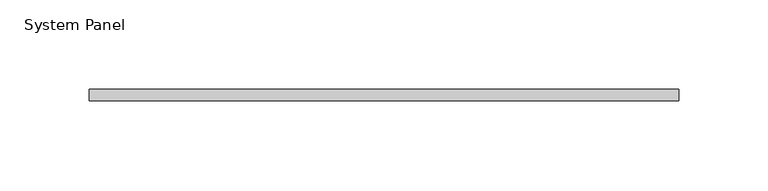
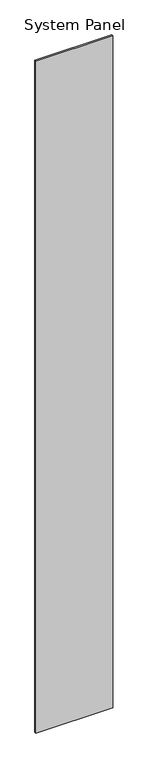
"""IFC4 building model written with IfcOpenShell, lengths in millimetres: plate geometry, System Panel."""

from ifc_helpers import new_model, si_unit, origin, origin_with_axes, place, context, project, spatial, polyline, outline, extrude, source, transform, mapped, element, save


def system_panel_fc44783d(model_context):
    return source(origin(), model_context, "Body", "SweptSolid", [
        extrude(outline(polyline([(165.0759116, 0.0), (-165.0759116, 0.0), (-165.0759116, 6.35), (165.0759116, 6.35), (165.0759116, 0.0)])), origin_with_axes(), (0.0, 0.0, 1.0), 3048.0),
    ])


if __name__ == "__main__":
    model = new_model("IFC4")
    model_context = context("Model", 3, world=origin())
    ifc_project = project(units=[si_unit("LENGTHUNIT", "METRE", prefix="MILLI")], contexts=[model_context])
    site = spatial("IfcSite", under=ifc_project)
    building = spatial("IfcBuilding", under=site)
    placement = place(None, origin())
    system_panel_shape = system_panel_fc44783d(model_context)
    element("IfcPlate", 1, ObjectType="System Panel", at=placement, inside=building, context=model_context, shape_type="MappedRepresentation", body=[
        mapped(system_panel_shape, transform((0.0, 0.0, 0.0), x_axis=(1.0, 0.0, 0.0), y_axis=(0.0, 1.0, 0.0), z_axis=(0.0, 0.0, 1.0))),
    ])
    save(model, "model.ifc")
